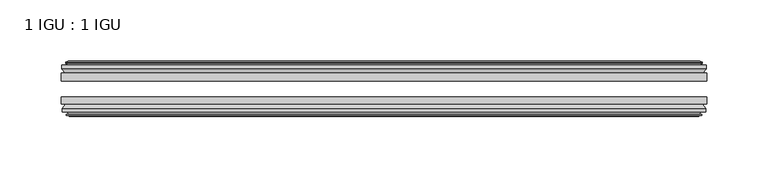
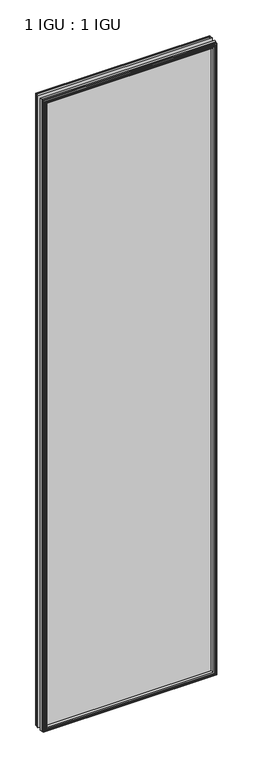
"""IFC4 building model written with IfcOpenShell, lengths in millimetres: plate geometry, 1 IGU : 1 IGU."""

from ifc_helpers import new_model, si_unit, frame, origin, place, context, project, spatial, polyline, outline, extrude, faceted_brep, source, transform, mapped, element, save


def plate_1_igu_1_igu_d4b8446b(model_context):
    return source(origin(), model_context, "Body", "SolidModel", [
        extrude(outline(polyline([(263.2777469, -25.8960937), (263.2777469, -32.2460938), (-263.2777469, -32.2460938), (-263.2777469, -25.8960937), (263.2777469, -25.8960937)])), frame((0.0, 0.0, -12.7), z_axis=(0.0, 0.0, 1.0), x_axis=(1.0, 0.0, 0.0)), (0.0, 0.0, 1.0), 2019.3),
        extrude(outline(polyline([(-263.2777469, -51.2960938), (-263.2777469, -45.2686737), (263.2777469, -45.2686737), (263.2777469, -51.2960938), (-263.2777469, -51.2960938)])), frame((0.0, 0.0, -12.7), z_axis=(0.0, 0.0, 1.0), x_axis=(1.0, 0.0, 0.0)), (0.0, 0.0, 1.0), 2019.3),
        faceted_brep([(-257.6897469, -60.0262907, 2001.012), (-258.0707469, -57.6460937, 2001.393), (-258.0707469, -57.6460937, -7.493), (-257.6897469, -60.0262907, -7.112), (-259.1052759, -59.5663575, 2002.4275291), (-259.1052759, -59.5663575, -8.5275291), (-259.1052759, -60.3675717, 2002.4275291), (-259.1052759, -60.3675717, -8.5275291), (-256.9277469, -61.0750937, 2000.25), (-256.9277469, -61.0750937, -6.35), (-254.7502178, -60.3675717, 1998.0724709), (-254.7502178, -60.3675717, -4.1724709), (-254.7502178, -59.5663575, 1998.0724709), (-254.7502178, -59.5663575, -4.1724709), (-256.1657469, -60.0262907, 1999.488), (-256.1657469, -60.0262907, -5.588), (-255.7847469, -57.6460937, 1999.107), (-255.7847469, -57.6460937, -5.207), (-248.8600288, -51.2960937, 1992.1822819), (-250.5777469, -57.6460937, 1993.9), (-250.5777469, -57.6460937, 0.0), (-248.8600288, -51.2960937, 1.7177181), (-262.5157469, -54.6996937, 2005.838), (-259.6814047, -51.2960937, 2003.0036578), (-259.6814047, -51.2960937, -9.1036578), (-262.5157469, -54.6996937, -11.938), (-262.5157469, -57.6460937, 2005.838), (-262.5157469, -57.6460937, -11.938), (258.0707469, -57.6460938, -7.493), (257.6897469, -60.0262907, -7.112), (259.1052759, -59.5663575, -8.5275291), (259.1052759, -60.3675717, -8.5275291), (256.9277469, -61.0750937, -6.35), (254.7502178, -60.3675717, -4.1724709), (254.7502178, -59.5663575, -4.1724709), (256.1657469, -60.0262907, -5.588), (255.7847469, -57.6460937, -5.207), (250.5777469, -57.6460937, 0.0), (248.8600288, -51.2960937, 1.7177181), (259.6814047, -51.2960937, -9.1036578), (262.5157469, -54.6996937, -11.938), (262.5157469, -57.6460938, -11.938), (258.0707469, -57.6460938, 2001.393), (257.6897469, -60.0262907, 2001.012), (259.1052759, -59.5663575, 2002.4275291), (259.1052759, -60.3675717, 2002.4275291), (256.9277469, -61.0750937, 2000.25), (254.7502178, -60.3675717, 1998.0724709), (254.7502178, -59.5663575, 1998.0724709), (256.1657469, -60.0262907, 1999.488), (255.7847469, -57.6460937, 1999.107), (250.5777469, -57.6460937, 1993.9), (248.8600288, -51.2960937, 1992.1822819), (259.6814047, -51.2960937, 2003.0036578), (262.5157469, -54.6996937, 2005.838), (262.5157469, -57.6460938, 2005.838)], [[[0, 1, 2, 3]], [[4, 0, 3, 5]], [[6, 4, 5, 7]], [[8, 6, 7, 9]], [[10, 8, 9, 11]], [[12, 10, 11, 13]], [[14, 12, 13, 15]], [[16, 14, 15, 17]], [[18, 19, 20, 21]], [[22, 23, 24, 25]], [[26, 22, 25, 27]], [[3, 2, 28, 29]], [[5, 3, 29, 30]], [[7, 5, 30, 31]], [[9, 7, 31, 32]], [[11, 9, 32, 33]], [[13, 11, 33, 34]], [[15, 13, 34, 35]], [[17, 15, 35, 36]], [[21, 20, 37, 38]], [[25, 24, 39, 40]], [[27, 25, 40, 41]], [[29, 28, 42, 43]], [[30, 29, 43, 44]], [[31, 30, 44, 45]], [[32, 31, 45, 46]], [[33, 32, 46, 47]], [[34, 33, 47, 48]], [[35, 34, 48, 49]], [[36, 35, 49, 50]], [[38, 37, 51, 52]], [[40, 39, 53, 54]], [[41, 40, 54, 55]], [[27, 41, 55, 26], [1, 42, 28, 2]], [[43, 42, 1, 0]], [[44, 43, 0, 4]], [[45, 44, 4, 6]], [[46, 45, 6, 8]], [[47, 46, 8, 10]], [[48, 47, 10, 12]], [[49, 48, 12, 14]], [[50, 49, 14, 16]], [[17, 36, 50, 16], [19, 51, 37, 20]], [[52, 51, 19, 18]], [[23, 53, 39, 24], [21, 38, 52, 18]], [[54, 53, 23, 22]], [[55, 54, 22, 26]]]),
        faceted_brep([(-260.2021047, -25.8960937, 2003.5243578), (-263.0364469, -22.4924937, 2006.3587), (-263.0364469, -22.4924937, -12.4587), (-260.2021047, -25.8960937, -9.6243578), (-251.0984469, -19.5460937, 1994.4207), (-249.3807288, -25.8960937, 1992.7029819), (-249.3807288, -25.8960937, 1.1970181), (-251.0984469, -19.5460937, -0.5207), (-256.6864469, -17.1658968, 2000.0087), (-256.3054469, -19.5460937, 1999.6277), (-256.3054469, -19.5460937, -5.7277), (-256.6864469, -17.1658968, -6.1087), (-255.2709178, -17.62583, 1998.5931709), (-255.2709178, -17.62583, -4.6931709), (-255.2709178, -16.8246158, 1998.5931709), (-255.2709178, -16.8246158, -4.6931709), (-257.4484469, -16.1170937, 2000.7707), (-257.4484469, -16.1170937, -6.8707), (-259.6259759, -16.8246158, 2002.9482291), (-259.6259759, -16.8246158, -9.0482291), (-259.6259759, -17.62583, 2002.9482291), (-259.6259759, -17.62583, -9.0482291), (-258.2104469, -17.1658968, 2001.5327), (-258.2104469, -17.1658968, -7.6327), (-258.5914469, -19.5460937, 2001.9137), (-258.5914469, -19.5460937, -8.0137), (-263.0364469, -19.5460937, 2006.3587), (-263.0364469, -19.5460937, -12.4587), (263.0364469, -22.4924937, -12.4587), (260.2021047, -25.8960937, -9.6243578), (249.3807288, -25.8960937, 1.1970181), (251.0984469, -19.5460937, -0.5207), (256.3054469, -19.5460937, -5.7277), (256.6864469, -17.1658968, -6.1087), (255.2709178, -17.62583, -4.6931709), (255.2709178, -16.8246158, -4.6931709), (257.4484469, -16.1170937, -6.8707), (259.6259759, -16.8246158, -9.0482291), (259.6259759, -17.62583, -9.0482291), (258.2104469, -17.1658968, -7.6327), (258.5914469, -19.5460937, -8.0137), (263.0364469, -19.5460937, -12.4587), (263.0364469, -22.4924937, 2006.3587), (260.2021047, -25.8960937, 2003.5243578), (249.3807288, -25.8960937, 1992.7029819), (251.0984469, -19.5460937, 1994.4207), (256.3054469, -19.5460937, 1999.6277), (256.6864469, -17.1658968, 2000.0087), (255.2709178, -17.62583, 1998.5931709), (255.2709178, -16.8246158, 1998.5931709), (257.4484469, -16.1170937, 2000.7707), (259.6259759, -16.8246158, 2002.9482291), (259.6259759, -17.62583, 2002.9482291), (258.2104469, -17.1658968, 2001.5327), (258.5914469, -19.5460937, 2001.9137), (263.0364469, -19.5460937, 2006.3587)], [[[0, 1, 2, 3]], [[4, 5, 6, 7]], [[8, 9, 10, 11]], [[12, 8, 11, 13]], [[14, 12, 13, 15]], [[16, 14, 15, 17]], [[18, 16, 17, 19]], [[20, 18, 19, 21]], [[22, 20, 21, 23]], [[24, 22, 23, 25]], [[1, 26, 27, 2]], [[3, 2, 28, 29]], [[7, 6, 30, 31]], [[11, 10, 32, 33]], [[13, 11, 33, 34]], [[15, 13, 34, 35]], [[17, 15, 35, 36]], [[19, 17, 36, 37]], [[21, 19, 37, 38]], [[23, 21, 38, 39]], [[25, 23, 39, 40]], [[2, 27, 41, 28]], [[29, 28, 42, 43]], [[31, 30, 44, 45]], [[33, 32, 46, 47]], [[34, 33, 47, 48]], [[35, 34, 48, 49]], [[36, 35, 49, 50]], [[37, 36, 50, 51]], [[38, 37, 51, 52]], [[39, 38, 52, 53]], [[40, 39, 53, 54]], [[28, 41, 55, 42]], [[43, 42, 1, 0]], [[3, 29, 43, 0], [5, 44, 30, 6]], [[45, 44, 5, 4]], [[9, 46, 32, 10], [7, 31, 45, 4]], [[47, 46, 9, 8]], [[48, 47, 8, 12]], [[49, 48, 12, 14]], [[50, 49, 14, 16]], [[51, 50, 16, 18]], [[52, 51, 18, 20]], [[53, 52, 20, 22]], [[54, 53, 22, 24]], [[26, 55, 41, 27], [25, 40, 54, 24]], [[42, 55, 26, 1]]]),
    ])


if __name__ == "__main__":
    model = new_model("IFC4")
    model_context = context("Model", 3, world=origin())
    ifc_project = project(units=[si_unit("LENGTHUNIT", "METRE", prefix="MILLI")], contexts=[model_context])
    site = spatial("IfcSite", under=ifc_project)
    building = spatial("IfcBuilding", under=site)
    placement = place(None, origin())
    plate_1_igu_1_igu_shape = plate_1_igu_1_igu_d4b8446b(model_context)
    element("IfcPlate", 1, ObjectType="1 IGU : 1 IGU", at=placement, inside=building, context=model_context, shape_type="MappedRepresentation", body=[
        mapped(plate_1_igu_1_igu_shape, transform((0.0, 0.0, 0.0), x_axis=(1.0, 0.0, 0.0), y_axis=(0.0, 1.0, 0.0), z_axis=(0.0, 0.0, 1.0))),
    ])
    save(model, "model.ifc")
